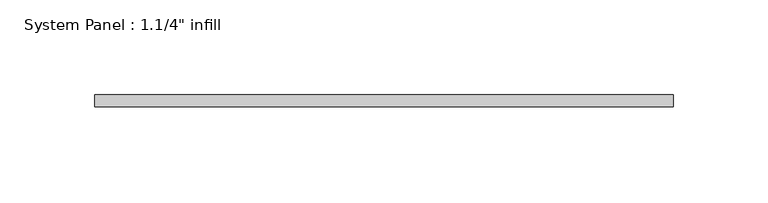
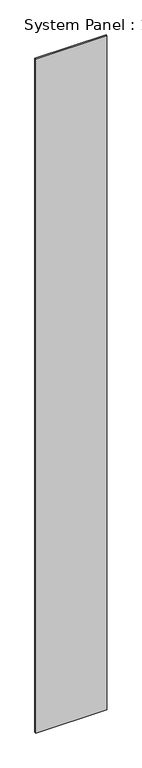
"""IFC4 building model written with IfcOpenShell, lengths in millimetres: plate geometry."""

from ifc_helpers import new_model, si_unit, origin, origin_with_axes, place, context, project, spatial, polyline, outline, extrude, source, transform, mapped, element, save


def plate_02dd2663(model_context):
    return source(origin(), model_context, "Body", "SweptSolid", [
        extrude(outline(polyline([(152.401121, -0.0992187), (-152.401121, -0.0992187), (-152.401121, 6.2507813), (152.401121, 6.2507813), (152.401121, -0.0992187)])), origin_with_axes(), (0.0, 0.0, 1.0), 3048.0),
    ])


if __name__ == "__main__":
    model = new_model("IFC4")
    model_context = context("Model", 3, world=origin())
    ifc_project = project(units=[si_unit("LENGTHUNIT", "METRE", prefix="MILLI")], contexts=[model_context])
    site = spatial("IfcSite", under=ifc_project)
    building = spatial("IfcBuilding", under=site)
    placement = place(None, origin())
    plate_shape = plate_02dd2663(model_context)
    element("IfcPlate", 1, ObjectType="System Panel : 1.1/4\" infill", at=placement, inside=building, context=model_context, shape_type="MappedRepresentation", body=[
        mapped(plate_shape, transform((0.0, 0.0, 0.0), x_axis=(1.0, 0.0, 0.0), y_axis=(0.0, 1.0, 0.0), z_axis=(0.0, 0.0, 1.0))),
    ])
    save(model, "model.ifc")
